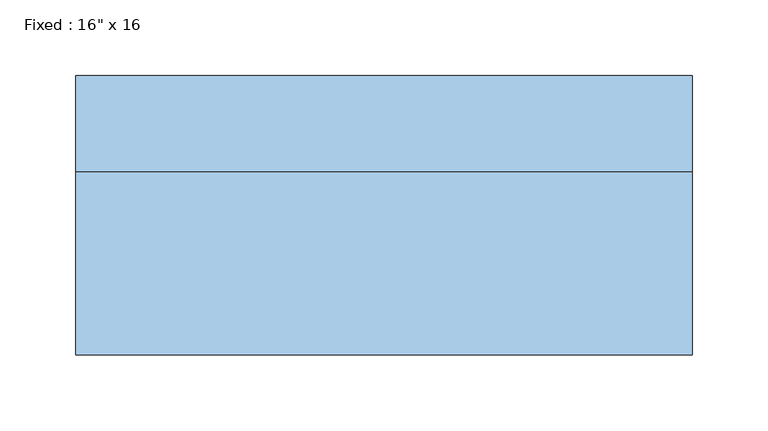
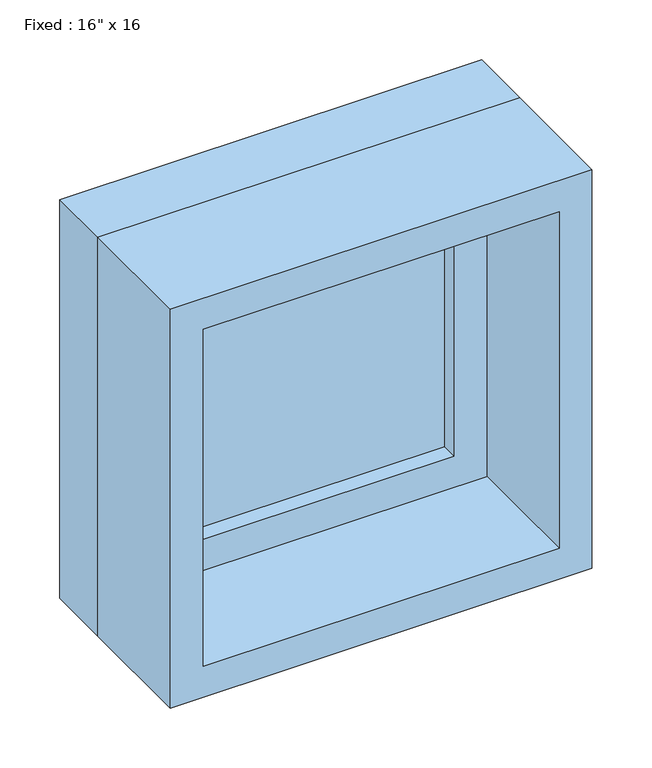
"""IFC4 building model written with IfcOpenShell, lengths in millimetres: window geometry."""

from ifc_helpers import new_model, si_unit, frame, origin, place, context, project, spatial, polyline, outline, extrude, source, transform, mapped, element, save


def window_fcee49b0(model_context):
    return source(origin(), model_context, "Body", "SweptSolid", [
        extrude(outline(polyline([(101.6, 44.45), (-177.8, 44.45), (-177.8, 57.15), (101.6, 57.15), (101.6, 44.45)])), frame((0.0, 0.0, 977.9), z_axis=(0.0, 0.0, 1.0), x_axis=(1.0, 0.0, 0.0)), (0.0, 0.0, 1.0), 279.4),
        extrude(outline(polyline([(1301.75, -222.25), (933.45, -222.25), (933.45, 146.05), (1301.75, 146.05), (1301.75, -222.25)]), holes=[polyline([(1257.3, -177.8), (1257.3, 101.6), (977.9, 101.6), (977.9, -177.8), (1257.3, -177.8)])]), frame((0.0, 28.575, 0.0), z_axis=(0.0, 1.0, 0.0), x_axis=(0.0, 0.0, 1.0)), (0.0, 0.0, 1.0), 44.45),
        extrude(outline(polyline([(1320.8, -241.3), (914.4, -241.3), (914.4, 165.1), (1320.8, 165.1), (1320.8, -241.3)]), holes=[polyline([(1289.05, -209.55), (1289.05, 133.35), (946.15, 133.35), (946.15, -209.55), (1289.05, -209.55)])]), frame((0.0, -92.075, 0.0), z_axis=(0.0, 1.0, 0.0), x_axis=(0.0, 0.0, 1.0)), (0.0, 0.0, 1.0), 120.65),
        extrude(outline(polyline([(1320.8, 165.1), (1320.8, -241.3), (914.4, -241.3), (914.4, 165.1), (1320.8, 165.1)]), holes=[polyline([(1301.75, 146.05), (933.45, 146.05), (933.45, -222.25), (1301.75, -222.25), (1301.75, 146.05)])]), frame((0.0, 28.575, 0.0), z_axis=(0.0, 1.0, 0.0), x_axis=(0.0, 0.0, 1.0)), (0.0, 0.0, 1.0), 63.5),
    ])


if __name__ == "__main__":
    model = new_model("IFC4")
    model_context = context("Model", 3, world=origin())
    ifc_project = project(units=[si_unit("LENGTHUNIT", "METRE", prefix="MILLI")], contexts=[model_context])
    site = spatial("IfcSite", under=ifc_project)
    building = spatial("IfcBuilding", under=site)
    placement = place(None, origin())
    window_shape = window_fcee49b0(model_context)
    element("IfcWindow", 1, ObjectType="Fixed : 16\" x 16", at=placement, inside=building, context=model_context, shape_type="MappedRepresentation", body=[
        mapped(window_shape, transform((0.0, 0.0, 0.0), x_axis=(1.0, 0.0, 0.0), y_axis=(0.0, 1.0, 0.0), z_axis=(0.0, 0.0, 1.0))),
    ])
    save(model, "model.ifc")
